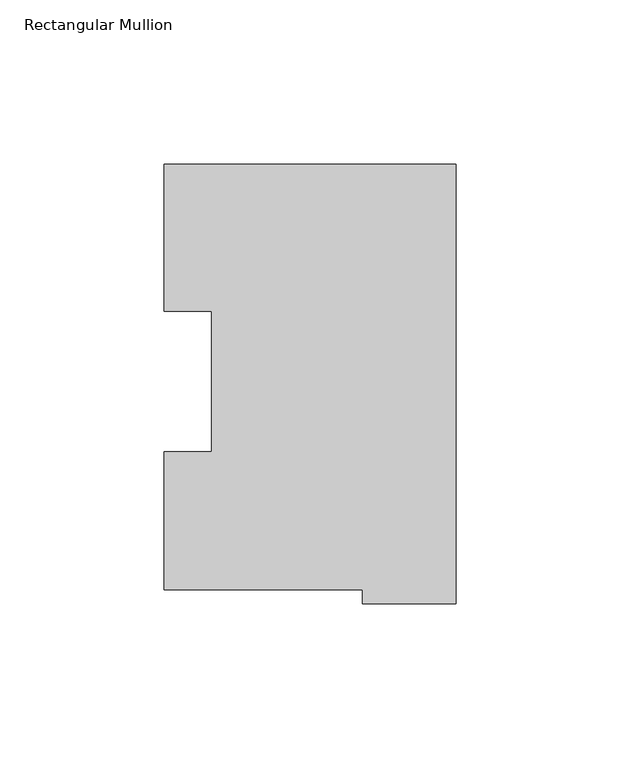
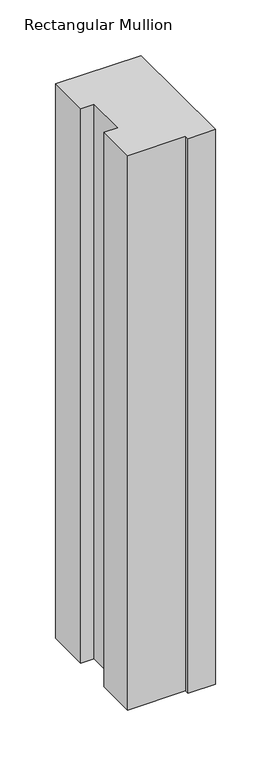
"""IFC4 building model written with IfcOpenShell, lengths in millimetres: member geometry, Rectangular Mullion."""

from ifc_helpers import new_model, si_unit, frame, origin, place, context, project, spatial, polyline, outline, extrude, source, transform, mapped, element, save


def rectangular_mullion_735be1f6(model_context):
    return source(origin(), model_context, "Body", "SweptSolid", [
        extrude(outline(polyline([(-28.56992, 0.2428875), (-89.1408142, 0.2428875), (-89.1408142, 42.2798875), (-74.6252, 42.2798875), (-74.6252, 85.1296875), (-88.99652, 85.1296875), (-88.99652, 130.0368875), (0.0, 130.0368875), (0.0, -3.9735125), (-28.56992, -3.9735125), (-28.56992, 0.2428875)])), frame((0.0, 0.0, -609.6), z_axis=(0.0, 0.0, 1.0), x_axis=(1.0, 0.0, 0.0)), (0.0, 0.0, 1.0), 609.6),
    ])


if __name__ == "__main__":
    model = new_model("IFC4")
    model_context = context("Model", 3, world=origin())
    ifc_project = project(units=[si_unit("LENGTHUNIT", "METRE", prefix="MILLI")], contexts=[model_context])
    site = spatial("IfcSite", under=ifc_project)
    building = spatial("IfcBuilding", under=site)
    placement = place(None, origin())
    rectangular_mullion_shape = rectangular_mullion_735be1f6(model_context)
    element("IfcMember", 1, ObjectType="Rectangular Mullion", at=placement, inside=building, context=model_context, shape_type="MappedRepresentation", body=[
        mapped(rectangular_mullion_shape, transform((0.0, 0.0, 0.0), x_axis=(1.0, 0.0, 0.0), y_axis=(0.0, 1.0, 0.0), z_axis=(0.0, 0.0, 1.0))),
    ])
    save(model, "model.ifc")
